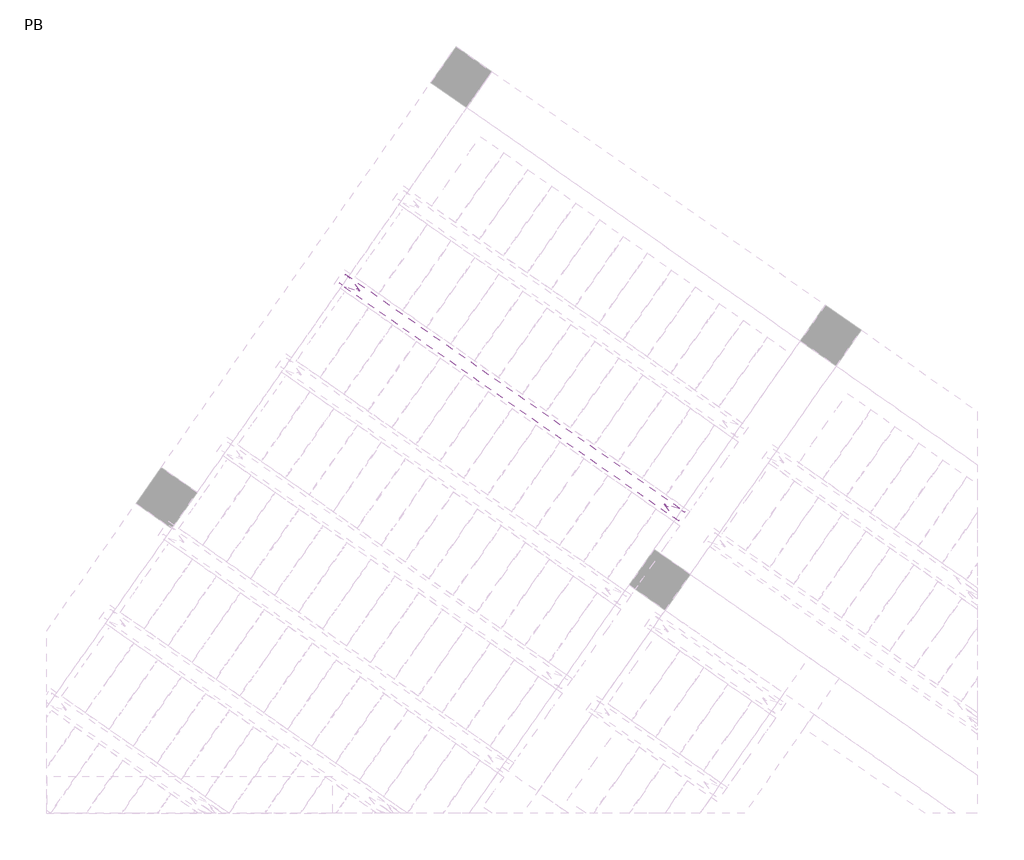
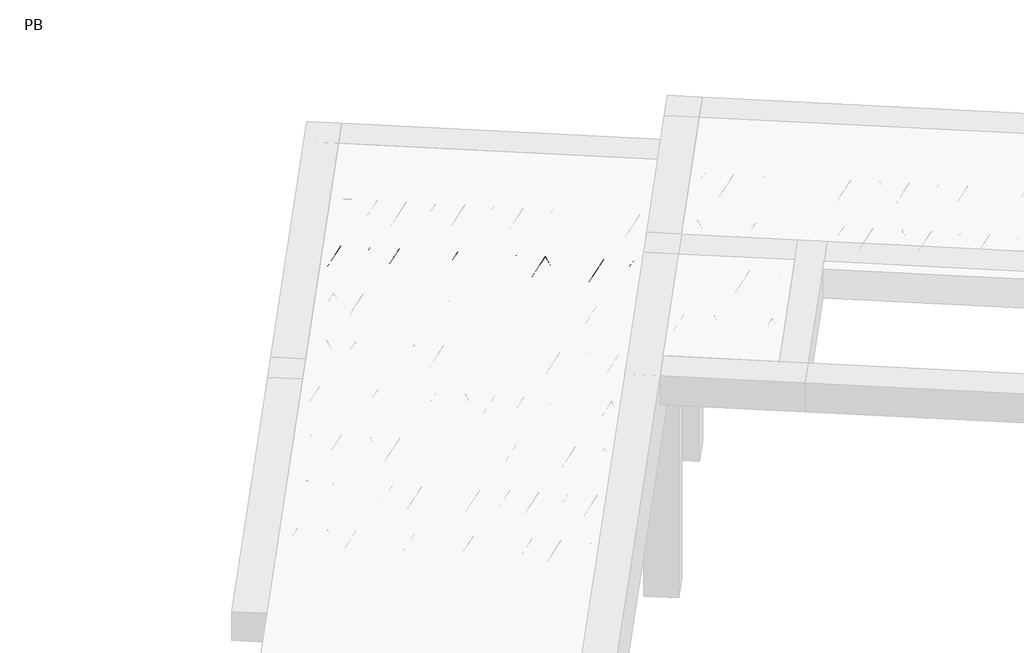
# One storey, part 50 of 56: 1 beam.
"""IFC4 building model written with IfcOpenShell, lengths in millimetres."""

from ifc_helpers import new_model, si_unit, point, frame, origin, origin_2d, place, context, project, spatial, circle_curve, trimmed, segment, composite_curve, outline, extrude, element, save

model = new_model("IFC4")

# Units and contexts
model_context = context("Model", 3, world=origin())
ifc_project = project(units=[si_unit("LENGTHUNIT", "METRE", prefix="MILLI")], contexts=[model_context])

# Site, building, storey
site = spatial("IfcSite", under=ifc_project)
building = spatial("IfcBuilding", under=site)
storey = spatial("IfcBuildingStorey", under=building, Name="PB", Elevation=95940.0)

# Beam
placement = place(None, origin())
element("IfcBeam", 1, at=placement, inside=storey, context=model_context, shape_type="SweptSolid", body=[
    extrude(outline(composite_curve([segment(trimmed(circle_curve(origin_2d(), 2.5), [point((-2.5, 0.0))], [point((2.5, 0.0))], False, "CARTESIAN"), True, "CONTINUOUS"), segment(trimmed(circle_curve(origin_2d(), 2.5), [point((2.5, 0.0))], [point((-2.5, 0.0))], False, "CARTESIAN"), True, "CONTINUOUS")], self_intersect=False)), frame((5960.543645, 7929.4861861, 98785.0), z_axis=(-0.8191520442696126, 0.5735764363787226, 0.0), x_axis=(0.5735764363787226, 0.8191520442696126, 0.0)), (0.0, 0.0, 1.0), 2836.356221),
    extrude(outline(composite_curve([segment(trimmed(circle_curve(origin_2d(), 2.5), [point((-2.5, 0.0))], [point((2.5, 0.0))], False, "CARTESIAN"), True, "CONTINUOUS"), segment(trimmed(circle_curve(origin_2d(), 2.5), [point((2.5, 0.0))], [point((-2.5, 0.0))], False, "CARTESIAN"), True, "CONTINUOUS")], self_intersect=False)), frame((5884.386556, 8026.7598391, 99010.0), z_axis=(-0.8191520442696126, 0.5735764363787226, 0.0), x_axis=(0.5735764363787226, 0.8191520442696126, 0.0)), (0.0, 0.0, 1.0), 2600.0),
    extrude(outline(composite_curve([segment(trimmed(circle_curve(origin_2d(), 2.5), [point((-2.5, 0.0))], [point((2.5, 1e-07))], False, "CARTESIAN"), True, "CONTINUOUS"), segment(trimmed(circle_curve(origin_2d(), 2.5), [point((2.5, 1e-07))], [point((-2.5, 0.0))], False, "CARTESIAN"), True, "CONTINUOUS")], self_intersect=False)), frame((5925.1742076, 7954.2521327, 98785.0), z_axis=(-0.3145304735701046, 0.38933448886848654, 0.8657304643902053), x_axis=(0.7778747638402499, 0.6284193279813057, 0.0)), (0.0, 0.0, 1.0), 259.8961331),
    extrude(outline(composite_curve([segment(trimmed(circle_curve(origin_2d(), 2.5), [point((2.5000001, 0.0))], [point((-2.5, 0.0))], False, "CARTESIAN"), True, "CONTINUOUS"), segment(trimmed(circle_curve(origin_2d(), 2.5), [point((-2.5, 0.0))], [point((2.5000001, 0.0))], False, "CARTESIAN"), True, "CONTINUOUS")], self_intersect=False)), frame((5720.3861965, 8097.6462419, 98785.0), z_axis=(0.47343050384693375, -0.16240172737369005, 0.8657304643902051), x_axis=(-0.3244721671091268, -0.9458952440791246, 0.0)), (0.0, 0.0, 1.0), 259.8961331),
    extrude(outline(composite_curve([segment(trimmed(circle_curve(origin_2d(), 2.5), [point((-2.5, -1e-07))], [point((2.5, 0.0))], False, "CARTESIAN"), True, "CONTINUOUS"), segment(trimmed(circle_curve(origin_2d(), 2.5), [point((2.5, 0.0))], [point((-2.5, -1e-07))], False, "CARTESIAN"), True, "CONTINUOUS")], self_intersect=False)), frame((5720.3861965, 8097.6462419, 98785.0), z_axis=(-0.3145304735701046, 0.38933448886848654, 0.8657304643902053), x_axis=(0.7778747638402499, 0.6284193279813057, 0.0)), (0.0, 0.0, 1.0), 259.8961331),
    extrude(outline(composite_curve([segment(trimmed(circle_curve(origin_2d(), 2.5), [point((2.5000001, 0.0))], [point((-2.5, 0.0))], False, "CARTESIAN"), True, "CONTINUOUS"), segment(trimmed(circle_curve(origin_2d(), 2.5), [point((-2.5, 0.0))], [point((2.5000001, 0.0))], False, "CARTESIAN"), True, "CONTINUOUS")], self_intersect=False)), frame((5515.5981855, 8241.040351, 98785.0), z_axis=(0.47343050384693375, -0.16240172737369005, 0.8657304643902051), x_axis=(-0.3244721671091268, -0.9458952440791246, 0.0)), (0.0, 0.0, 1.0), 259.8961331),
    extrude(outline(composite_curve([segment(trimmed(circle_curve(origin_2d(), 2.5), [point((-2.5000001, 0.0))], [point((2.5, 0.0))], False, "CARTESIAN"), True, "CONTINUOUS"), segment(trimmed(circle_curve(origin_2d(), 2.5), [point((2.5, 0.0))], [point((-2.5000001, 0.0))], False, "CARTESIAN"), True, "CONTINUOUS")], self_intersect=False)), frame((5515.5981855, 8241.040351, 98785.0), z_axis=(-0.3145304735701046, 0.38933448886848654, 0.8657304643902053), x_axis=(0.7778747638402499, 0.6284193279813057, 0.0)), (0.0, 0.0, 1.0), 259.8961331),
    extrude(outline(composite_curve([segment(trimmed(circle_curve(origin_2d(), 2.5), [point((2.5, 0.0))], [point((-2.5000001, 0.0))], False, "CARTESIAN"), True, "CONTINUOUS"), segment(trimmed(circle_curve(origin_2d(), 2.5), [point((-2.5000001, 0.0))], [point((2.5, 0.0))], False, "CARTESIAN"), True, "CONTINUOUS")], self_intersect=False)), frame((5310.8101744, 8384.43446, 98785.0), z_axis=(0.47343050384693375, -0.16240172737369005, 0.8657304643902051), x_axis=(-0.3244721671091268, -0.9458952440791246, 0.0)), (0.0, 0.0, 1.0), 259.8961331),
    extrude(outline(composite_curve([segment(trimmed(circle_curve(origin_2d(), 2.5), [point((-2.5, 0.0))], [point((2.5, 1e-07))], False, "CARTESIAN"), True, "CONTINUOUS"), segment(trimmed(circle_curve(origin_2d(), 2.5), [point((2.5, 1e-07))], [point((-2.5, 0.0))], False, "CARTESIAN"), True, "CONTINUOUS")], self_intersect=False)), frame((5310.8101744, 8384.43446, 98785.0), z_axis=(-0.3145304735701046, 0.38933448886848654, 0.8657304643902053), x_axis=(0.7778747638402499, 0.6284193279813057, 0.0)), (0.0, 0.0, 1.0), 259.8961331),
    extrude(outline(composite_curve([segment(trimmed(circle_curve(origin_2d(), 2.5), [point((2.5, 0.0))], [point((-2.5000001, 0.0))], False, "CARTESIAN"), True, "CONTINUOUS"), segment(trimmed(circle_curve(origin_2d(), 2.5), [point((-2.5000001, 0.0))], [point((2.5, 0.0))], False, "CARTESIAN"), True, "CONTINUOUS")], self_intersect=False)), frame((5106.0221633, 8527.8285691, 98785.0), z_axis=(0.47343050384693375, -0.16240172737369005, 0.8657304643902051), x_axis=(-0.3244721671091268, -0.9458952440791246, 0.0)), (0.0, 0.0, 1.0), 259.8961331),
    extrude(outline(composite_curve([segment(trimmed(circle_curve(origin_2d(), 2.5), [point((-2.5000001, 1e-07))], [point((2.5, 0.0))], False, "CARTESIAN"), True, "CONTINUOUS"), segment(trimmed(circle_curve(origin_2d(), 2.5), [point((2.5, 0.0))], [point((-2.5000001, 1e-07))], False, "CARTESIAN"), True, "CONTINUOUS")], self_intersect=False)), frame((5106.0221637, 8527.8285689, 98785.0), z_axis=(-0.3145304735701046, 0.38933448886848654, 0.8657304643902053), x_axis=(0.7778747638402499, 0.6284193279813057, 0.0)), (0.0, 0.0, 1.0), 259.8961331),
    extrude(outline(composite_curve([segment(trimmed(circle_curve(origin_2d(), 2.5), [point((2.5, 0.0))], [point((-2.5, 0.0))], False, "CARTESIAN"), True, "CONTINUOUS"), segment(trimmed(circle_curve(origin_2d(), 2.5), [point((-2.5, 0.0))], [point((2.5, 0.0))], False, "CARTESIAN"), True, "CONTINUOUS")], self_intersect=False)), frame((4901.2341526, 8671.222678, 98785.0), z_axis=(0.47343050384693375, -0.16240172737369005, 0.8657304643902051), x_axis=(-0.3244721671091268, -0.9458952440791246, 0.0)), (0.0, 0.0, 1.0), 259.8961331),
    extrude(outline(composite_curve([segment(trimmed(circle_curve(origin_2d(), 2.5), [point((-2.5, 0.0))], [point((2.5, 0.0))], False, "CARTESIAN"), True, "CONTINUOUS"), segment(trimmed(circle_curve(origin_2d(), 2.5), [point((2.5, 0.0))], [point((-2.5, 0.0))], False, "CARTESIAN"), True, "CONTINUOUS")], self_intersect=False)), frame((4901.2341526, 8671.222678, 98785.0), z_axis=(-0.3145304735701046, 0.38933448886848654, 0.8657304643902053), x_axis=(0.7778747638402499, 0.6284193279813057, 0.0)), (0.0, 0.0, 1.0), 259.8961331),
    extrude(outline(composite_curve([segment(trimmed(circle_curve(origin_2d(), 2.5), [point((2.5, 0.0))], [point((-2.5, 0.0))], False, "CARTESIAN"), True, "CONTINUOUS"), segment(trimmed(circle_curve(origin_2d(), 2.5), [point((-2.5, 0.0))], [point((2.5, 0.0))], False, "CARTESIAN"), True, "CONTINUOUS")], self_intersect=False)), frame((4696.4461415, 8814.6167871, 98785.0), z_axis=(0.47343050384693375, -0.16240172737369005, 0.8657304643902051), x_axis=(-0.3244721671091268, -0.9458952440791246, 0.0)), (0.0, 0.0, 1.0), 259.8961331),
    extrude(outline(composite_curve([segment(trimmed(circle_curve(origin_2d(), 2.5), [point((-2.5, 0.0))], [point((2.5, 0.0))], False, "CARTESIAN"), True, "CONTINUOUS"), segment(trimmed(circle_curve(origin_2d(), 2.5), [point((2.5, 0.0))], [point((-2.5, 0.0))], False, "CARTESIAN"), True, "CONTINUOUS")], self_intersect=False)), frame((4696.4461415, 8814.6167871, 98785.0), z_axis=(-0.3145304735701046, 0.38933448886848654, 0.8657304643902053), x_axis=(0.7778747638402499, 0.6284193279813057, 0.0)), (0.0, 0.0, 1.0), 259.8961331),
    extrude(outline(composite_curve([segment(trimmed(circle_curve(origin_2d(), 2.5), [point((2.5, -1e-07))], [point((-2.5, 0.0))], False, "CARTESIAN"), True, "CONTINUOUS"), segment(trimmed(circle_curve(origin_2d(), 2.5), [point((-2.5, 0.0))], [point((2.5, -1e-07))], False, "CARTESIAN"), True, "CONTINUOUS")], self_intersect=False)), frame((4491.6581305, 8958.0108962, 98785.0), z_axis=(0.47343050384693375, -0.16240172737369005, 0.8657304643902051), x_axis=(-0.3244721671091268, -0.9458952440791246, 0.0)), (0.0, 0.0, 1.0), 259.8961331),
    extrude(outline(composite_curve([segment(trimmed(circle_curve(origin_2d(), 2.5), [point((-2.5, 0.0))], [point((2.5000001, -1e-07))], False, "CARTESIAN"), True, "CONTINUOUS"), segment(trimmed(circle_curve(origin_2d(), 2.5), [point((2.5000001, -1e-07))], [point((-2.5, 0.0))], False, "CARTESIAN"), True, "CONTINUOUS")], self_intersect=False)), frame((4491.6581304, 8958.0108962, 98785.0), z_axis=(-0.3145304735701046, 0.38933448886848654, 0.8657304643902053), x_axis=(0.7778747638402499, 0.6284193279813057, 0.0)), (0.0, 0.0, 1.0), 259.8961331),
    extrude(outline(composite_curve([segment(trimmed(circle_curve(origin_2d(), 2.5), [point((2.5, 0.0))], [point((-2.5, 0.0))], False, "CARTESIAN"), True, "CONTINUOUS"), segment(trimmed(circle_curve(origin_2d(), 2.5), [point((-2.5, 0.0))], [point((2.5, 0.0))], False, "CARTESIAN"), True, "CONTINUOUS")], self_intersect=False)), frame((4286.8701194, 9101.4050053, 98785.0), z_axis=(0.47343050384693375, -0.16240172737369005, 0.8657304643902051), x_axis=(-0.3244721671091268, -0.9458952440791246, 0.0)), (0.0, 0.0, 1.0), 259.8961331),
    extrude(outline(composite_curve([segment(trimmed(circle_curve(origin_2d(), 2.5), [point((-2.5, 0.0))], [point((2.5, 0.0))], False, "CARTESIAN"), True, "CONTINUOUS"), segment(trimmed(circle_curve(origin_2d(), 2.5), [point((2.5, 0.0))], [point((-2.5, 0.0))], False, "CARTESIAN"), True, "CONTINUOUS")], self_intersect=False)), frame((4286.8701194, 9101.4050053, 98785.0), z_axis=(-0.3145304735701046, 0.38933448886848654, 0.8657304643902053), x_axis=(0.7778747638402499, 0.6284193279813057, 0.0)), (0.0, 0.0, 1.0), 259.8961331),
    extrude(outline(composite_curve([segment(trimmed(circle_curve(origin_2d(), 2.5), [point((2.5, 0.0))], [point((-2.5, 0.0))], False, "CARTESIAN"), True, "CONTINUOUS"), segment(trimmed(circle_curve(origin_2d(), 2.5), [point((-2.5, 0.0))], [point((2.5, 0.0))], False, "CARTESIAN"), True, "CONTINUOUS")], self_intersect=False)), frame((4082.0821083, 9244.7991144, 98785.0), z_axis=(0.47343050384693375, -0.16240172737369005, 0.8657304643902051), x_axis=(-0.3244721671091268, -0.9458952440791246, 0.0)), (0.0, 0.0, 1.0), 259.8961331),
    extrude(outline(composite_curve([segment(trimmed(circle_curve(origin_2d(), 2.5), [point((-2.5, 0.0))], [point((2.5, 0.0))], False, "CARTESIAN"), True, "CONTINUOUS"), segment(trimmed(circle_curve(origin_2d(), 2.5), [point((2.5, 0.0))], [point((-2.5, 0.0))], False, "CARTESIAN"), True, "CONTINUOUS")], self_intersect=False)), frame((4082.0821083, 9244.7991144, 98785.0), z_axis=(-0.3145304735701046, 0.38933448886848654, 0.8657304643902053), x_axis=(0.7778747638402499, 0.6284193279813057, 0.0)), (0.0, 0.0, 1.0), 259.8961331),
    extrude(outline(composite_curve([segment(trimmed(circle_curve(origin_2d(), 2.5), [point((2.5, 0.0))], [point((-2.5, 1e-07))], False, "CARTESIAN"), True, "CONTINUOUS"), segment(trimmed(circle_curve(origin_2d(), 2.5), [point((-2.5, 1e-07))], [point((2.5, 0.0))], False, "CARTESIAN"), True, "CONTINUOUS")], self_intersect=False)), frame((3877.2940972, 9388.1932235, 98785.0), z_axis=(0.47343050384693375, -0.16240172737369005, 0.8657304643902051), x_axis=(-0.3244721671091268, -0.9458952440791246, 0.0)), (0.0, 0.0, 1.0), 259.8961331),
    extrude(outline(composite_curve([segment(trimmed(circle_curve(origin_2d(), 2.5), [point((-2.5, 0.0))], [point((2.5000001, -1e-07))], False, "CARTESIAN"), True, "CONTINUOUS"), segment(trimmed(circle_curve(origin_2d(), 2.5), [point((2.5000001, -1e-07))], [point((-2.5, 0.0))], False, "CARTESIAN"), True, "CONTINUOUS")], self_intersect=False)), frame((3877.2940972, 9388.1932235, 98785.0), z_axis=(-0.3145304735701046, 0.38933448886848654, 0.8657304643902053), x_axis=(0.7778747638402499, 0.6284193279813057, 0.0)), (0.0, 0.0, 1.0), 259.8961331),
    extrude(outline(composite_curve([segment(trimmed(circle_curve(origin_2d(), 2.5), [point((2.5, 0.0))], [point((-2.5, 0.0))], False, "CARTESIAN"), True, "CONTINUOUS"), segment(trimmed(circle_curve(origin_2d(), 2.5), [point((-2.5, 0.0))], [point((2.5, 0.0))], False, "CARTESIAN"), True, "CONTINUOUS")], self_intersect=False)), frame((3672.5060862, 9531.5873326, 98785.0), z_axis=(0.47343050384693375, -0.16240172737369005, 0.8657304643902051), x_axis=(-0.3244721671091268, -0.9458952440791246, 0.0)), (0.0, 0.0, 1.0), 259.8961331),
    extrude(outline(composite_curve([segment(trimmed(circle_curve(origin_2d(), 2.5), [point((-2.5000001, 0.0))], [point((2.5, 0.0))], False, "CARTESIAN"), True, "CONTINUOUS"), segment(trimmed(circle_curve(origin_2d(), 2.5), [point((2.5, 0.0))], [point((-2.5000001, 0.0))], False, "CARTESIAN"), True, "CONTINUOUS")], self_intersect=False)), frame((6001.8411484, 7988.4651333, 98785.0), z_axis=(-0.8191520442696126, 0.5735764363787226, 0.0), x_axis=(0.5735764363787226, 0.8191520442696126, 0.0)), (0.0, 0.0, 1.0), 2836.356221),
    extrude(outline(composite_curve([segment(trimmed(circle_curve(origin_2d(), 2.5), [point((-2.5, 0.0))], [point((2.5, -1e-07))], False, "CARTESIAN"), True, "CONTINUOUS"), segment(trimmed(circle_curve(origin_2d(), 2.5), [point((2.5, -1e-07))], [point((-2.5, 0.0))], False, "CARTESIAN"), True, "CONTINUOUS")], self_intersect=False)), frame((5966.471711, 8013.2310799, 98785.0), z_axis=(-0.47343050384693375, 0.16240172737369005, 0.8657304643902051), x_axis=(0.3244721671091268, 0.9458952440791246, 0.0)), (0.0, 0.0, 1.0), 259.8961331),
    extrude(outline(composite_curve([segment(trimmed(circle_curve(origin_2d(), 2.5), [point((2.5, 0.0))], [point((-2.5000001, 0.0))], False, "CARTESIAN"), True, "CONTINUOUS"), segment(trimmed(circle_curve(origin_2d(), 2.5), [point((-2.5000001, 0.0))], [point((2.5, 0.0))], False, "CARTESIAN"), True, "CONTINUOUS")], self_intersect=False)), frame((5761.6836999, 8156.625189, 98785.0), z_axis=(0.3145304735701046, -0.38933448886848654, 0.8657304643902053), x_axis=(-0.7778747638402499, -0.6284193279813057, 0.0)), (0.0, 0.0, 1.0), 259.8961331),
    extrude(outline(composite_curve([segment(trimmed(circle_curve(origin_2d(), 2.5), [point((-2.5, 0.0))], [point((2.5000001, 0.0))], False, "CARTESIAN"), True, "CONTINUOUS"), segment(trimmed(circle_curve(origin_2d(), 2.5), [point((2.5000001, 0.0))], [point((-2.5, 0.0))], False, "CARTESIAN"), True, "CONTINUOUS")], self_intersect=False)), frame((5761.6836999, 8156.625189, 98785.0), z_axis=(-0.47343050384693375, 0.16240172737369005, 0.8657304643902051), x_axis=(0.3244721671091268, 0.9458952440791246, 0.0)), (0.0, 0.0, 1.0), 259.8961331),
    extrude(outline(composite_curve([segment(trimmed(circle_curve(origin_2d(), 2.5), [point((2.5, 0.0))], [point((-2.5, -1e-07))], False, "CARTESIAN"), True, "CONTINUOUS"), segment(trimmed(circle_curve(origin_2d(), 2.5), [point((-2.5, -1e-07))], [point((2.5, 0.0))], False, "CARTESIAN"), True, "CONTINUOUS")], self_intersect=False)), frame((5556.8956889, 8300.0192981, 98785.0), z_axis=(0.3145304735701046, -0.38933448886848654, 0.8657304643902053), x_axis=(-0.7778747638402499, -0.6284193279813057, 0.0)), (0.0, 0.0, 1.0), 259.8961331),
    extrude(outline(composite_curve([segment(trimmed(circle_curve(origin_2d(), 2.5), [point((-2.5, 0.0))], [point((2.5, 0.0))], False, "CARTESIAN"), True, "CONTINUOUS"), segment(trimmed(circle_curve(origin_2d(), 2.5), [point((2.5, 0.0))], [point((-2.5, 0.0))], False, "CARTESIAN"), True, "CONTINUOUS")], self_intersect=False)), frame((5556.8956889, 8300.0192981, 98785.0), z_axis=(-0.47343050384693375, 0.16240172737369005, 0.8657304643902051), x_axis=(0.3244721671091268, 0.9458952440791246, 0.0)), (0.0, 0.0, 1.0), 259.8961331),
    extrude(outline(composite_curve([segment(trimmed(circle_curve(origin_2d(), 2.5), [point((2.5, 0.0))], [point((-2.5, -1e-07))], False, "CARTESIAN"), True, "CONTINUOUS"), segment(trimmed(circle_curve(origin_2d(), 2.5), [point((-2.5, -1e-07))], [point((2.5, 0.0))], False, "CARTESIAN"), True, "CONTINUOUS")], self_intersect=False)), frame((5352.1076778, 8443.4134072, 98785.0), z_axis=(0.3145304735701046, -0.38933448886848654, 0.8657304643902053), x_axis=(-0.7778747638402499, -0.6284193279813057, 0.0)), (0.0, 0.0, 1.0), 259.8961331),
    extrude(outline(composite_curve([segment(trimmed(circle_curve(origin_2d(), 2.5), [point((-2.5, 0.0))], [point((2.5, 0.0))], False, "CARTESIAN"), True, "CONTINUOUS"), segment(trimmed(circle_curve(origin_2d(), 2.5), [point((2.5, 0.0))], [point((-2.5, 0.0))], False, "CARTESIAN"), True, "CONTINUOUS")], self_intersect=False)), frame((5352.1076778, 8443.4134072, 98785.0), z_axis=(-0.47343050384693375, 0.16240172737369005, 0.8657304643902051), x_axis=(0.3244721671091268, 0.9458952440791246, 0.0)), (0.0, 0.0, 1.0), 259.8961331),
    extrude(outline(composite_curve([segment(trimmed(circle_curve(origin_2d(), 2.5), [point((2.5, 0.0))], [point((-2.5000001, 1e-07))], False, "CARTESIAN"), True, "CONTINUOUS"), segment(trimmed(circle_curve(origin_2d(), 2.5), [point((-2.5000001, 1e-07))], [point((2.5, 0.0))], False, "CARTESIAN"), True, "CONTINUOUS")], self_intersect=False)), frame((5147.3196667, 8586.8075163, 98785.0), z_axis=(0.3145304735701046, -0.38933448886848654, 0.8657304643902053), x_axis=(-0.7778747638402499, -0.6284193279813057, 0.0)), (0.0, 0.0, 1.0), 259.8961331),
    extrude(outline(composite_curve([segment(trimmed(circle_curve(origin_2d(), 2.5), [point((-2.5, 0.0))], [point((2.5, 0.0))], False, "CARTESIAN"), True, "CONTINUOUS"), segment(trimmed(circle_curve(origin_2d(), 2.5), [point((2.5, 0.0))], [point((-2.5, 0.0))], False, "CARTESIAN"), True, "CONTINUOUS")], self_intersect=False)), frame((5147.3196671, 8586.8075161, 98785.0), z_axis=(-0.47343050384693375, 0.16240172737369005, 0.8657304643902051), x_axis=(0.3244721671091268, 0.9458952440791246, 0.0)), (0.0, 0.0, 1.0), 259.8961331),
    extrude(outline(composite_curve([segment(trimmed(circle_curve(origin_2d(), 2.5), [point((2.5, 0.0))], [point((-2.5, 0.0))], False, "CARTESIAN"), True, "CONTINUOUS"), segment(trimmed(circle_curve(origin_2d(), 2.5), [point((-2.5, 0.0))], [point((2.5, 0.0))], False, "CARTESIAN"), True, "CONTINUOUS")], self_intersect=False)), frame((4942.531656, 8730.2016252, 98785.0), z_axis=(0.3145304735701046, -0.38933448886848654, 0.8657304643902053), x_axis=(-0.7778747638402499, -0.6284193279813057, 0.0)), (0.0, 0.0, 1.0), 259.8961331),
    extrude(outline(composite_curve([segment(trimmed(circle_curve(origin_2d(), 2.5), [point((-2.5, 0.0))], [point((2.5, 0.0))], False, "CARTESIAN"), True, "CONTINUOUS"), segment(trimmed(circle_curve(origin_2d(), 2.5), [point((2.5, 0.0))], [point((-2.5, 0.0))], False, "CARTESIAN"), True, "CONTINUOUS")], self_intersect=False)), frame((4942.531656, 8730.2016252, 98785.0), z_axis=(-0.47343050384693375, 0.16240172737369005, 0.8657304643902051), x_axis=(0.3244721671091268, 0.9458952440791246, 0.0)), (0.0, 0.0, 1.0), 259.8961331),
    extrude(outline(composite_curve([segment(trimmed(circle_curve(origin_2d(), 2.5), [point((2.5, 0.0))], [point((-2.5, 0.0))], False, "CARTESIAN"), True, "CONTINUOUS"), segment(trimmed(circle_curve(origin_2d(), 2.5), [point((-2.5, 0.0))], [point((2.5, 0.0))], False, "CARTESIAN"), True, "CONTINUOUS")], self_intersect=False)), frame((4737.7436449, 8873.5957343, 98785.0), z_axis=(0.3145304735701046, -0.38933448886848654, 0.8657304643902053), x_axis=(-0.7778747638402499, -0.6284193279813057, 0.0)), (0.0, 0.0, 1.0), 259.8961331),
    extrude(outline(composite_curve([segment(trimmed(circle_curve(origin_2d(), 2.5), [point((-2.5, 0.0))], [point((2.5, -1e-07))], False, "CARTESIAN"), True, "CONTINUOUS"), segment(trimmed(circle_curve(origin_2d(), 2.5), [point((2.5, -1e-07))], [point((-2.5, 0.0))], False, "CARTESIAN"), True, "CONTINUOUS")], self_intersect=False)), frame((4737.7436449, 8873.5957343, 98785.0), z_axis=(-0.47343050384693375, 0.16240172737369005, 0.8657304643902051), x_axis=(0.3244721671091268, 0.9458952440791246, 0.0)), (0.0, 0.0, 1.0), 259.8961331),
    extrude(outline(composite_curve([segment(trimmed(circle_curve(origin_2d(), 2.5), [point((2.5, 0.0))], [point((-2.5, 0.0))], False, "CARTESIAN"), True, "CONTINUOUS"), segment(trimmed(circle_curve(origin_2d(), 2.5), [point((-2.5, 0.0))], [point((2.5, 0.0))], False, "CARTESIAN"), True, "CONTINUOUS")], self_intersect=False)), frame((4532.9556339, 9016.9898434, 98785.0), z_axis=(0.3145304735701046, -0.38933448886848654, 0.8657304643902053), x_axis=(-0.7778747638402499, -0.6284193279813057, 0.0)), (0.0, 0.0, 1.0), 259.8961331),
    extrude(outline(composite_curve([segment(trimmed(circle_curve(origin_2d(), 2.5), [point((-2.5, 0.0))], [point((2.5, 0.0))], False, "CARTESIAN"), True, "CONTINUOUS"), segment(trimmed(circle_curve(origin_2d(), 2.5), [point((2.5, 0.0))], [point((-2.5, 0.0))], False, "CARTESIAN"), True, "CONTINUOUS")], self_intersect=False)), frame((4532.9556339, 9016.9898434, 98785.0), z_axis=(-0.47343050384693375, 0.16240172737369005, 0.8657304643902051), x_axis=(0.3244721671091268, 0.9458952440791246, 0.0)), (0.0, 0.0, 1.0), 259.8961331),
    extrude(outline(composite_curve([segment(trimmed(circle_curve(origin_2d(), 2.5), [point((2.5, 0.0))], [point((-2.5, 0.0))], False, "CARTESIAN"), True, "CONTINUOUS"), segment(trimmed(circle_curve(origin_2d(), 2.5), [point((-2.5, 0.0))], [point((2.5, 0.0))], False, "CARTESIAN"), True, "CONTINUOUS")], self_intersect=False)), frame((4328.1676228, 9160.3839525, 98785.0), z_axis=(0.3145304735701046, -0.38933448886848654, 0.8657304643902053), x_axis=(-0.7778747638402499, -0.6284193279813057, 0.0)), (0.0, 0.0, 1.0), 259.8961331),
    extrude(outline(composite_curve([segment(trimmed(circle_curve(origin_2d(), 2.5), [point((-2.5, 0.0))], [point((2.5, 0.0))], False, "CARTESIAN"), True, "CONTINUOUS"), segment(trimmed(circle_curve(origin_2d(), 2.5), [point((2.5, 0.0))], [point((-2.5, 0.0))], False, "CARTESIAN"), True, "CONTINUOUS")], self_intersect=False)), frame((4328.1676228, 9160.3839525, 98785.0), z_axis=(-0.47343050384693375, 0.16240172737369005, 0.8657304643902051), x_axis=(0.3244721671091268, 0.9458952440791246, 0.0)), (0.0, 0.0, 1.0), 259.8961331),
    extrude(outline(composite_curve([segment(trimmed(circle_curve(origin_2d(), 2.5), [point((2.5, 0.0))], [point((-2.5, 0.0))], False, "CARTESIAN"), True, "CONTINUOUS"), segment(trimmed(circle_curve(origin_2d(), 2.5), [point((-2.5, 0.0))], [point((2.5, 0.0))], False, "CARTESIAN"), True, "CONTINUOUS")], self_intersect=False)), frame((4123.3796117, 9303.7780616, 98785.0), z_axis=(0.3145304735701046, -0.38933448886848654, 0.8657304643902053), x_axis=(-0.7778747638402499, -0.6284193279813057, 0.0)), (0.0, 0.0, 1.0), 259.8961331),
    extrude(outline(composite_curve([segment(trimmed(circle_curve(origin_2d(), 2.5), [point((-2.5, 0.0))], [point((2.5, -1e-07))], False, "CARTESIAN"), True, "CONTINUOUS"), segment(trimmed(circle_curve(origin_2d(), 2.5), [point((2.5, -1e-07))], [point((-2.5, 0.0))], False, "CARTESIAN"), True, "CONTINUOUS")], self_intersect=False)), frame((4123.3796117, 9303.7780616, 98785.0), z_axis=(-0.47343050384693375, 0.16240172737369005, 0.8657304643902051), x_axis=(0.3244721671091268, 0.9458952440791246, 0.0)), (0.0, 0.0, 1.0), 259.8961331),
    extrude(outline(composite_curve([segment(trimmed(circle_curve(origin_2d(), 2.5), [point((2.5, 1e-07))], [point((-2.5, 0.0))], False, "CARTESIAN"), True, "CONTINUOUS"), segment(trimmed(circle_curve(origin_2d(), 2.5), [point((-2.5, 0.0))], [point((2.5, 1e-07))], False, "CARTESIAN"), True, "CONTINUOUS")], self_intersect=False)), frame((3918.5916007, 9447.1721707, 98785.0), z_axis=(0.3145304735701046, -0.38933448886848654, 0.8657304643902053), x_axis=(-0.7778747638402499, -0.6284193279813057, 0.0)), (0.0, 0.0, 1.0), 259.8961331),
    extrude(outline(composite_curve([segment(trimmed(circle_curve(origin_2d(), 2.5), [point((-2.5, 1e-07))], [point((2.5, 0.0))], False, "CARTESIAN"), True, "CONTINUOUS"), segment(trimmed(circle_curve(origin_2d(), 2.5), [point((2.5, 0.0))], [point((-2.5, 1e-07))], False, "CARTESIAN"), True, "CONTINUOUS")], self_intersect=False)), frame((3918.5916007, 9447.1721707, 98785.0), z_axis=(-0.47343050384693375, 0.16240172737369005, 0.8657304643902051), x_axis=(0.3244721671091268, 0.9458952440791246, 0.0)), (0.0, 0.0, 1.0), 259.8961331),
    extrude(outline(composite_curve([segment(trimmed(circle_curve(origin_2d(), 2.5), [point((2.5, 1e-07))], [point((-2.5, 0.0))], False, "CARTESIAN"), True, "CONTINUOUS"), segment(trimmed(circle_curve(origin_2d(), 2.5), [point((-2.5, 0.0))], [point((2.5, 1e-07))], False, "CARTESIAN"), True, "CONTINUOUS")], self_intersect=False)), frame((3713.8035896, 9590.5662798, 98785.0), z_axis=(0.3145304735701046, -0.38933448886848654, 0.8657304643902053), x_axis=(-0.7778747638402499, -0.6284193279813057, 0.0)), (0.0, 0.0, 1.0), 259.8961331),
])

save(model, "model.ifc")
